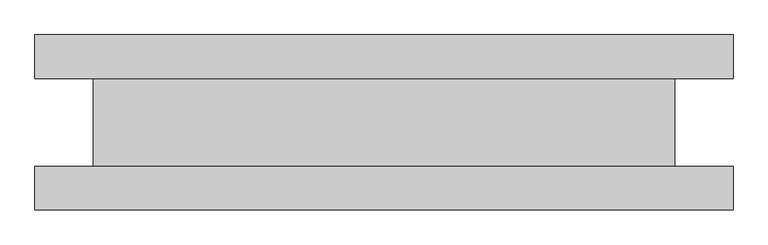
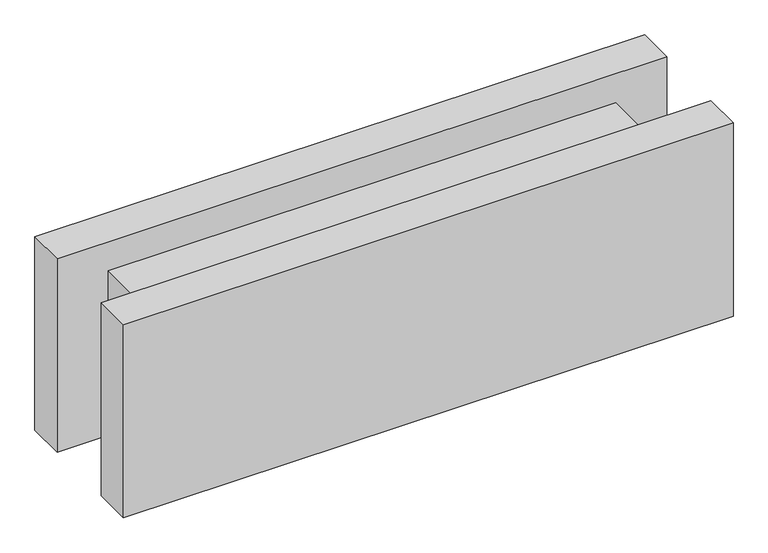
"""IFC4 building model written with IfcOpenShell, lengths in millimetres: plate geometry."""

from ifc_helpers import new_model, si_unit, frame, origin, origin_with_axes, place, context, project, spatial, polyline, outline, extrude, source, transform, mapped, element, save


def plate_2955ea03(model_context):
    return source(origin(), model_context, "Body", "SweptSolid", [
        extrude(outline(polyline([(596.875, -150.0), (-596.875, -150.0), (-596.875, -75.0), (596.875, -75.0), (596.875, -150.0)])), origin_with_axes(), (0.0, 0.0, 1.0), 400.0),
        extrude(outline(polyline([(596.875, 75.0), (-596.875, 75.0), (-596.875, 150.0), (596.875, 150.0), (596.875, 75.0)])), origin_with_axes(), (0.0, 0.0, 1.0), 400.0),
        extrude(outline(polyline([(496.875, -75.0), (-496.875, -75.0), (-496.875, 75.0), (496.875, 75.0), (496.875, -75.0)])), frame((0.0, 0.0, 59.45), z_axis=(0.0, 0.0, 1.0), x_axis=(1.0, 0.0, 0.0)), (0.0, 0.0, 1.0), 281.1),
    ])


if __name__ == "__main__":
    model = new_model("IFC4")
    model_context = context("Model", 3, world=origin())
    ifc_project = project(units=[si_unit("LENGTHUNIT", "METRE", prefix="MILLI")], contexts=[model_context])
    site = spatial("IfcSite", under=ifc_project)
    building = spatial("IfcBuilding", under=site)
    placement = place(None, origin())
    plate_shape = plate_2955ea03(model_context)
    element("IfcPlate", 1, at=placement, inside=building, context=model_context, shape_type="MappedRepresentation", body=[
        mapped(plate_shape, transform((0.0, 0.0, 0.0), x_axis=(1.0, 0.0, 0.0), y_axis=(0.0, 1.0, 0.0), z_axis=(0.0, 0.0, 1.0))),
    ])
    save(model, "model.ifc")
